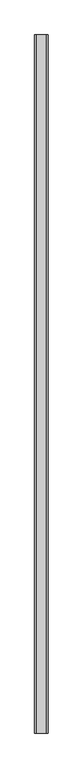
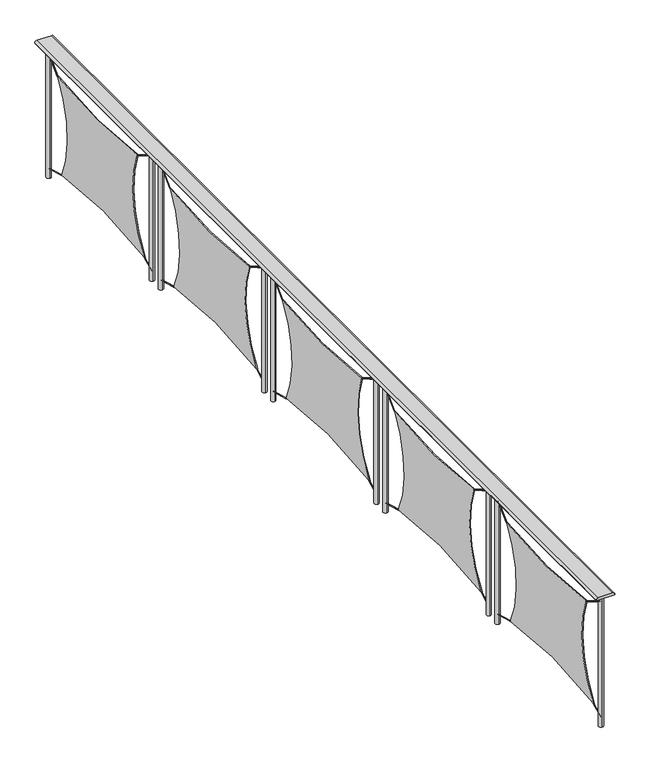
"""IFC4 building model written with IfcOpenShell, lengths in millimetres: railing geometry."""

from ifc_helpers import new_model, si_unit, point, frame, frame_2d, origin, origin_with_axes, place, context, project, spatial, polyline, circle_curve, trimmed, segment, composite_curve, outline, extrude, source, transform, mapped, element, save


def railing_b38161d0(model_context):
    return source(origin(), model_context, "Body", "SweptSolid", [
        extrude(outline(composite_curve([segment(trimmed(circle_curve(frame_2d((903.0, 9573.9695392)), 12.0), [point((915.0, 9573.9695392))], [point((903.0, 9561.9695392))], False, "CARTESIAN"), True, "CONTINUOUS"), segment(polyline([(903.0, 9561.9695392), (899.8828423, 9561.9695392), (899.8828423, 9681.9695392), (903.0, 9681.9695392)]), True, "CONTINUOUS"), segment(trimmed(circle_curve(frame_2d((903.0, 9669.9695392)), 12.0), [point((903.0, 9681.9695392))], [point((915.0, 9669.9695392))], False, "CARTESIAN"), True, "CONTINUOUS"), segment(polyline([(915.0, 9669.9695392), (915.0, 9573.9695392)]), True, "CONTINUOUS")], self_intersect=False)), frame((0.0, -25884.5435393, 0.0), z_axis=(0.0, 1.0, 0.0), x_axis=(0.0, 0.0, 1.0)), (0.0, 0.0, 1.0), 6250.0),
        extrude(outline(composite_curve([segment(trimmed(circle_curve(frame_2d((9621.9695392, -19683.6605604)), 15.0), [point((9621.9695392, -19698.6605604))], [point((9621.9695392, -19668.6605604))], False, "CARTESIAN"), True, "CONTINUOUS"), segment(trimmed(circle_curve(frame_2d((9621.9695392, -19683.6605604)), 15.0), [point((9621.9695392, -19668.6605604))], [point((9621.9695392, -19698.6605604))], False, "CARTESIAN"), True, "CONTINUOUS")], self_intersect=False)), origin_with_axes(), (0.0, 0.0, 1.0), 900.0),
        extrude(outline(composite_curve([segment(trimmed(circle_curve(frame_2d((9621.9695392, -20835.4261797)), 15.0), [point((9621.9695392, -20820.4261797))], [point((9621.9695392, -20850.4261797))], False, "CARTESIAN"), True, "CONTINUOUS"), segment(trimmed(circle_curve(frame_2d((9621.9695392, -20835.4261797)), 15.0), [point((9621.9695392, -20850.4261797))], [point((9621.9695392, -20820.4261797))], False, "CARTESIAN"), True, "CONTINUOUS")], self_intersect=False)), origin_with_axes(), (0.0, 0.0, 1.0), 900.0),
        extrude(outline(composite_curve([segment(trimmed(circle_curve(frame_2d((0.0, -2.0)), 2.0), [point((0.0, 0.0))], [point((0.0, -4.0))], False, "CARTESIAN"), True, "CONTINUOUS"), segment(trimmed(circle_curve(frame_2d((0.0, -2.0)), 2.0), [point((0.0, -4.0))], [point((0.0, 0.0))], False, "CARTESIAN"), True, "CONTINUOUS")], self_intersect=False)), frame((9621.9695392, -19685.0800335, 58.0732997), z_axis=(0.0, -0.9633501397866318, 0.2682471028232686), x_axis=(-1.0, 0.0, 0.0)), (0.0, 0.0, 1.0), 149.1162424),
        extrude(outline(composite_curve([segment(trimmed(circle_curve(frame_2d((0.0, 2.0)), 2.0), [point((0.0, 0.0))], [point((0.0, 4.0))], False, "CARTESIAN"), True, "CONTINUOUS"), segment(trimmed(circle_curve(frame_2d((0.0, 2.0)), 2.0), [point((0.0, 4.0))], [point((0.0, 0.0))], False, "CARTESIAN"), True, "CONTINUOUS")], self_intersect=False)), frame((9621.9695392, -20670.8402242, 750.5654181), z_axis=(0.0, -0.8660254037844354, 0.5000000000000058), x_axis=(-1.0, 0.0, 0.0)), (0.0, 0.0, 1.0), 187.8732147),
        extrude(outline(composite_curve([segment(trimmed(circle_curve(frame_2d((0.0, -2.0)), 2.0), [point((0.0, 0.0))], [point((0.0, -4.0))], False, "CARTESIAN"), True, "CONTINUOUS"), segment(trimmed(circle_curve(frame_2d((0.0, -2.0)), 2.0), [point((0.0, -4.0))], [point((0.0, 0.0))], False, "CARTESIAN"), True, "CONTINUOUS")], self_intersect=False)), frame((9621.9695392, -20835.4261797, 61.7945329), z_axis=(0.0, 0.8972664391123103, 0.44148945315003263), x_axis=(-1.0, 0.0, 0.0)), (0.0, 0.0, 1.0), 90.6023909),
        extrude(outline(composite_curve([segment(trimmed(circle_curve(frame_2d((0.0, 1.9999999)), 2.0), [point((0.0, 0.0))], [point((0.0, 4.0))], False, "CARTESIAN"), True, "CONTINUOUS"), segment(trimmed(circle_curve(frame_2d((0.0, 1.9999999)), 2.0), [point((0.0, 4.0))], [point((0.0, 0.0))], False, "CARTESIAN"), True, "CONTINUOUS")], self_intersect=False)), frame((9621.9695392, -19784.226284, 741.6717548), z_axis=(0.0, 0.7120655030548517, 0.7021130388756793), x_axis=(-1.0, 0.0, 0.0)), (0.0, 0.0, 1.0), 141.9630221),
        extrude(outline(composite_curve([segment(trimmed(circle_curve(frame_2d((-21285.78343, 496.3404188)), 663.8365378), [point((-20753.2487162, 100.0))], [point((-20671.8402242, 748.8333673))], True, "CARTESIAN"), True, "CONTINUOUS"), segment(trimmed(circle_curve(frame_2d((-20208.5933347, 3857.0970618)), 3142.5946088), [point((-20671.8402242, 748.8333673))], [point((-19785.63051, 743.0958858))], True, "CARTESIAN"), True, "CONTINUOUS"), segment(trimmed(circle_curve(frame_2d((-19246.387589, 384.4488271)), 647.6192095), [point((-19785.63051, 743.0958858))], [point((-19828.1946922, 100.0))], True, "CARTESIAN"), True, "CONTINUOUS"), segment(trimmed(circle_curve(frame_2d((-20290.7217042, -2583.1966924)), 2722.769863), [point((-19828.1946922, 100.0))], [point((-20753.2487162, 100.0))], True, "CARTESIAN"), True, "CONTINUOUS")], self_intersect=False)), frame((9621.9695392, 0.0, 0.0), z_axis=(1.0, 0.0, 0.0), x_axis=(0.0, 1.0, 0.0)), (0.0, 0.0, 1.0), 5.0),
        extrude(outline(composite_curve([segment(trimmed(circle_curve(frame_2d((9621.9695392, -20934.6605604)), 15.0), [point((9621.9695392, -20949.6605604))], [point((9621.9695392, -20919.6605604))], False, "CARTESIAN"), True, "CONTINUOUS"), segment(trimmed(circle_curve(frame_2d((9621.9695392, -20934.6605604)), 15.0), [point((9621.9695392, -20919.6605604))], [point((9621.9695392, -20949.6605604))], False, "CARTESIAN"), True, "CONTINUOUS")], self_intersect=False)), origin_with_axes(), (0.0, 0.0, 1.0), 900.0),
        extrude(outline(composite_curve([segment(trimmed(circle_curve(frame_2d((9621.9695392, -22086.4261797)), 15.0), [point((9621.9695392, -22071.4261797))], [point((9621.9695392, -22101.4261797))], False, "CARTESIAN"), True, "CONTINUOUS"), segment(trimmed(circle_curve(frame_2d((9621.9695392, -22086.4261797)), 15.0), [point((9621.9695392, -22101.4261797))], [point((9621.9695392, -22071.4261797))], False, "CARTESIAN"), True, "CONTINUOUS")], self_intersect=False)), origin_with_axes(), (0.0, 0.0, 1.0), 900.0),
        extrude(outline(composite_curve([segment(trimmed(circle_curve(frame_2d((0.0, -2.0)), 2.0), [point((0.0, 0.0))], [point((0.0, -4.0))], False, "CARTESIAN"), True, "CONTINUOUS"), segment(trimmed(circle_curve(frame_2d((0.0, -2.0)), 2.0), [point((0.0, -4.0))], [point((0.0, 0.0))], False, "CARTESIAN"), True, "CONTINUOUS")], self_intersect=False)), frame((9621.9695392, -20936.0800335, 58.0732997), z_axis=(0.0, -0.9633501397866318, 0.2682471028232686), x_axis=(-1.0, 0.0, 0.0)), (0.0, 0.0, 1.0), 149.1162424),
        extrude(outline(composite_curve([segment(trimmed(circle_curve(frame_2d((0.0, 2.0)), 2.0), [point((0.0, 0.0))], [point((0.0, 4.0))], False, "CARTESIAN"), True, "CONTINUOUS"), segment(trimmed(circle_curve(frame_2d((0.0, 2.0)), 2.0), [point((0.0, 4.0))], [point((0.0, 0.0))], False, "CARTESIAN"), True, "CONTINUOUS")], self_intersect=False)), frame((9621.9695392, -21921.8402242, 750.5654181), z_axis=(0.0, -0.8660254037844354, 0.5000000000000058), x_axis=(-1.0, 0.0, 0.0)), (0.0, 0.0, 1.0), 187.8732147),
        extrude(outline(composite_curve([segment(trimmed(circle_curve(frame_2d((0.0, -2.0)), 2.0), [point((0.0, 0.0))], [point((0.0, -4.0))], False, "CARTESIAN"), True, "CONTINUOUS"), segment(trimmed(circle_curve(frame_2d((0.0, -2.0)), 2.0), [point((0.0, -4.0))], [point((0.0, 0.0))], False, "CARTESIAN"), True, "CONTINUOUS")], self_intersect=False)), frame((9621.9695392, -22086.4261797, 61.7945329), z_axis=(0.0, 0.8972664391123103, 0.44148945315003263), x_axis=(-1.0, 0.0, 0.0)), (0.0, 0.0, 1.0), 90.6023909),
        extrude(outline(composite_curve([segment(trimmed(circle_curve(frame_2d((0.0, 1.9999999)), 2.0), [point((0.0, 0.0))], [point((0.0, 4.0))], False, "CARTESIAN"), True, "CONTINUOUS"), segment(trimmed(circle_curve(frame_2d((0.0, 1.9999999)), 2.0), [point((0.0, 4.0))], [point((0.0, 0.0))], False, "CARTESIAN"), True, "CONTINUOUS")], self_intersect=False)), frame((9621.9695392, -21035.226284, 741.6717548), z_axis=(0.0, 0.7120655030548517, 0.7021130388756793), x_axis=(-1.0, 0.0, 0.0)), (0.0, 0.0, 1.0), 141.9630221),
        extrude(outline(composite_curve([segment(trimmed(circle_curve(frame_2d((-22536.78343, 496.3404188)), 663.8365378), [point((-22004.2487162, 100.0))], [point((-21922.8402242, 748.8333673))], True, "CARTESIAN"), True, "CONTINUOUS"), segment(trimmed(circle_curve(frame_2d((-21459.5933347, 3857.0970618)), 3142.5946088), [point((-21922.8402242, 748.8333673))], [point((-21036.63051, 743.0958858))], True, "CARTESIAN"), True, "CONTINUOUS"), segment(trimmed(circle_curve(frame_2d((-20497.387589, 384.4488271)), 647.6192095), [point((-21036.63051, 743.0958858))], [point((-21079.1946922, 100.0))], True, "CARTESIAN"), True, "CONTINUOUS"), segment(trimmed(circle_curve(frame_2d((-21541.7217042, -2583.1966924)), 2722.769863), [point((-21079.1946922, 100.0))], [point((-22004.2487162, 100.0))], True, "CARTESIAN"), True, "CONTINUOUS")], self_intersect=False)), frame((9621.9695392, 0.0, 0.0), z_axis=(1.0, 0.0, 0.0), x_axis=(0.0, 1.0, 0.0)), (0.0, 0.0, 1.0), 5.0),
        extrude(outline(composite_curve([segment(trimmed(circle_curve(frame_2d((9621.9695392, -22185.6605604)), 15.0), [point((9621.9695392, -22200.6605604))], [point((9621.9695392, -22170.6605604))], False, "CARTESIAN"), True, "CONTINUOUS"), segment(trimmed(circle_curve(frame_2d((9621.9695392, -22185.6605604)), 15.0), [point((9621.9695392, -22170.6605604))], [point((9621.9695392, -22200.6605604))], False, "CARTESIAN"), True, "CONTINUOUS")], self_intersect=False)), origin_with_axes(), (0.0, 0.0, 1.0), 900.0),
        extrude(outline(composite_curve([segment(trimmed(circle_curve(frame_2d((9621.9695392, -23337.4261797)), 15.0), [point((9621.9695392, -23322.4261797))], [point((9621.9695392, -23352.4261797))], False, "CARTESIAN"), True, "CONTINUOUS"), segment(trimmed(circle_curve(frame_2d((9621.9695392, -23337.4261797)), 15.0), [point((9621.9695392, -23352.4261797))], [point((9621.9695392, -23322.4261797))], False, "CARTESIAN"), True, "CONTINUOUS")], self_intersect=False)), origin_with_axes(), (0.0, 0.0, 1.0), 900.0),
        extrude(outline(composite_curve([segment(trimmed(circle_curve(frame_2d((0.0, -2.0)), 2.0), [point((0.0, 0.0))], [point((0.0, -4.0))], False, "CARTESIAN"), True, "CONTINUOUS"), segment(trimmed(circle_curve(frame_2d((0.0, -2.0)), 2.0), [point((0.0, -4.0))], [point((0.0, 0.0))], False, "CARTESIAN"), True, "CONTINUOUS")], self_intersect=False)), frame((9621.9695392, -22187.0800335, 58.0732997), z_axis=(0.0, -0.9633501397866318, 0.2682471028232686), x_axis=(-1.0, 0.0, 0.0)), (0.0, 0.0, 1.0), 149.1162424),
        extrude(outline(composite_curve([segment(trimmed(circle_curve(frame_2d((0.0, 2.0)), 2.0), [point((0.0, 0.0))], [point((0.0, 4.0))], False, "CARTESIAN"), True, "CONTINUOUS"), segment(trimmed(circle_curve(frame_2d((0.0, 2.0)), 2.0), [point((0.0, 4.0))], [point((0.0, 0.0))], False, "CARTESIAN"), True, "CONTINUOUS")], self_intersect=False)), frame((9621.9695392, -23172.8402242, 750.5654181), z_axis=(0.0, -0.8660254037844354, 0.5000000000000058), x_axis=(-1.0, 0.0, 0.0)), (0.0, 0.0, 1.0), 187.8732147),
        extrude(outline(composite_curve([segment(trimmed(circle_curve(frame_2d((0.0, -2.0)), 2.0), [point((0.0, 0.0))], [point((0.0, -4.0))], False, "CARTESIAN"), True, "CONTINUOUS"), segment(trimmed(circle_curve(frame_2d((0.0, -2.0)), 2.0), [point((0.0, -4.0))], [point((0.0, 0.0))], False, "CARTESIAN"), True, "CONTINUOUS")], self_intersect=False)), frame((9621.9695392, -23337.4261797, 61.7945329), z_axis=(0.0, 0.8972664391123103, 0.44148945315003263), x_axis=(-1.0, 0.0, 0.0)), (0.0, 0.0, 1.0), 90.6023909),
        extrude(outline(composite_curve([segment(trimmed(circle_curve(frame_2d((0.0, 1.9999999)), 2.0), [point((0.0, 0.0))], [point((0.0, 4.0))], False, "CARTESIAN"), True, "CONTINUOUS"), segment(trimmed(circle_curve(frame_2d((0.0, 1.9999999)), 2.0), [point((0.0, 4.0))], [point((0.0, 0.0))], False, "CARTESIAN"), True, "CONTINUOUS")], self_intersect=False)), frame((9621.9695392, -22286.226284, 741.6717548), z_axis=(0.0, 0.7120655030548517, 0.7021130388756793), x_axis=(-1.0, 0.0, 0.0)), (0.0, 0.0, 1.0), 141.9630221),
        extrude(outline(composite_curve([segment(trimmed(circle_curve(frame_2d((-23787.78343, 496.3404188)), 663.8365378), [point((-23255.2487162, 100.0))], [point((-23173.8402242, 748.8333673))], True, "CARTESIAN"), True, "CONTINUOUS"), segment(trimmed(circle_curve(frame_2d((-22710.5933347, 3857.0970618)), 3142.5946088), [point((-23173.8402242, 748.8333673))], [point((-22287.63051, 743.0958858))], True, "CARTESIAN"), True, "CONTINUOUS"), segment(trimmed(circle_curve(frame_2d((-21748.387589, 384.4488271)), 647.6192095), [point((-22287.63051, 743.0958858))], [point((-22330.1946922, 100.0))], True, "CARTESIAN"), True, "CONTINUOUS"), segment(trimmed(circle_curve(frame_2d((-22792.7217042, -2583.1966924)), 2722.769863), [point((-22330.1946922, 100.0))], [point((-23255.2487162, 100.0))], True, "CARTESIAN"), True, "CONTINUOUS")], self_intersect=False)), frame((9621.9695392, 0.0, 0.0), z_axis=(1.0, 0.0, 0.0), x_axis=(0.0, 1.0, 0.0)), (0.0, 0.0, 1.0), 5.0),
        extrude(outline(composite_curve([segment(trimmed(circle_curve(frame_2d((9621.9695392, -23434.6607296)), 15.0), [point((9621.9695392, -23449.6607296))], [point((9621.9695392, -23419.6607296))], False, "CARTESIAN"), True, "CONTINUOUS"), segment(trimmed(circle_curve(frame_2d((9621.9695392, -23434.6607296)), 15.0), [point((9621.9695392, -23419.6607296))], [point((9621.9695392, -23449.6607296))], False, "CARTESIAN"), True, "CONTINUOUS")], self_intersect=False)), origin_with_axes(), (0.0, 0.0, 1.0), 900.0),
        extrude(outline(composite_curve([segment(trimmed(circle_curve(frame_2d((9621.9695392, -24586.426349)), 15.0), [point((9621.9695392, -24571.426349))], [point((9621.9695392, -24601.426349))], False, "CARTESIAN"), True, "CONTINUOUS"), segment(trimmed(circle_curve(frame_2d((9621.9695392, -24586.426349)), 15.0), [point((9621.9695392, -24601.426349))], [point((9621.9695392, -24571.426349))], False, "CARTESIAN"), True, "CONTINUOUS")], self_intersect=False)), origin_with_axes(), (0.0, 0.0, 1.0), 900.0),
        extrude(outline(composite_curve([segment(trimmed(circle_curve(frame_2d((0.0, -2.0)), 2.0), [point((0.0, 0.0))], [point((0.0, -4.0))], False, "CARTESIAN"), True, "CONTINUOUS"), segment(trimmed(circle_curve(frame_2d((0.0, -2.0)), 2.0), [point((0.0, -4.0))], [point((0.0, 0.0))], False, "CARTESIAN"), True, "CONTINUOUS")], self_intersect=False)), frame((9621.9695392, -23436.0802027, 58.0732997), z_axis=(0.0, -0.9633501397866318, 0.2682471028232686), x_axis=(-1.0, 0.0, 0.0)), (0.0, 0.0, 1.0), 149.1162424),
        extrude(outline(composite_curve([segment(trimmed(circle_curve(frame_2d((0.0, 2.0)), 2.0), [point((0.0, 0.0))], [point((0.0, 4.0))], False, "CARTESIAN"), True, "CONTINUOUS"), segment(trimmed(circle_curve(frame_2d((0.0, 2.0)), 2.0), [point((0.0, 4.0))], [point((0.0, 0.0))], False, "CARTESIAN"), True, "CONTINUOUS")], self_intersect=False)), frame((9621.9695392, -24421.8403934, 750.5654181), z_axis=(0.0, -0.8660254037844354, 0.5000000000000058), x_axis=(-1.0, 0.0, 0.0)), (0.0, 0.0, 1.0), 187.8732147),
        extrude(outline(composite_curve([segment(trimmed(circle_curve(frame_2d((0.0, -2.0000001)), 2.0), [point((0.0, 0.0))], [point((0.0, -4.0000001))], False, "CARTESIAN"), True, "CONTINUOUS"), segment(trimmed(circle_curve(frame_2d((0.0, -2.0000001)), 2.0), [point((0.0, -4.0000001))], [point((0.0, 0.0))], False, "CARTESIAN"), True, "CONTINUOUS")], self_intersect=False)), frame((9621.9695392, -24586.426349, 61.7945329), z_axis=(0.0, 0.8972664391123103, 0.44148945315003263), x_axis=(-1.0, 0.0, 0.0)), (0.0, 0.0, 1.0), 90.6023909),
        extrude(outline(composite_curve([segment(trimmed(circle_curve(frame_2d((0.0, 2.0)), 2.0), [point((0.0, 0.0))], [point((0.0, 4.0))], False, "CARTESIAN"), True, "CONTINUOUS"), segment(trimmed(circle_curve(frame_2d((0.0, 2.0)), 2.0), [point((0.0, 4.0))], [point((0.0, 0.0))], False, "CARTESIAN"), True, "CONTINUOUS")], self_intersect=False)), frame((9621.9695392, -23535.2264532, 741.6717548), z_axis=(0.0, 0.7120655030548517, 0.7021130388756793), x_axis=(-1.0, 0.0, 0.0)), (0.0, 0.0, 1.0), 141.9630221),
        extrude(outline(composite_curve([segment(trimmed(circle_curve(frame_2d((-25036.7835992, 496.3404188)), 663.8365378), [point((-24504.2488854, 100.0))], [point((-24422.8403934, 748.8333673))], True, "CARTESIAN"), True, "CONTINUOUS"), segment(trimmed(circle_curve(frame_2d((-23959.5935039, 3857.0970618)), 3142.5946088), [point((-24422.8403934, 748.8333673))], [point((-23536.6306793, 743.0958858))], True, "CARTESIAN"), True, "CONTINUOUS"), segment(trimmed(circle_curve(frame_2d((-22997.3877583, 384.4488271)), 647.6192095), [point((-23536.6306793, 743.0958858))], [point((-23579.1948615, 100.0))], True, "CARTESIAN"), True, "CONTINUOUS"), segment(trimmed(circle_curve(frame_2d((-24041.7218734, -2583.1966924)), 2722.769863), [point((-23579.1948615, 100.0))], [point((-24504.2488854, 100.0))], True, "CARTESIAN"), True, "CONTINUOUS")], self_intersect=False)), frame((9621.9695392, 0.0, 0.0), z_axis=(1.0, 0.0, 0.0), x_axis=(0.0, 1.0, 0.0)), (0.0, 0.0, 1.0), 5.0),
        extrude(outline(composite_curve([segment(trimmed(circle_curve(frame_2d((9621.9695392, -24683.6608988)), 15.0), [point((9621.9695392, -24698.6608988))], [point((9621.9695392, -24668.6608988))], False, "CARTESIAN"), True, "CONTINUOUS"), segment(trimmed(circle_curve(frame_2d((9621.9695392, -24683.6608988)), 15.0), [point((9621.9695392, -24668.6608988))], [point((9621.9695392, -24698.6608988))], False, "CARTESIAN"), True, "CONTINUOUS")], self_intersect=False)), origin_with_axes(), (0.0, 0.0, 1.0), 900.0),
        extrude(outline(composite_curve([segment(trimmed(circle_curve(frame_2d((9621.9695392, -25835.4265182)), 15.0), [point((9621.9695392, -25820.4265182))], [point((9621.9695392, -25850.4265182))], False, "CARTESIAN"), True, "CONTINUOUS"), segment(trimmed(circle_curve(frame_2d((9621.9695392, -25835.4265182)), 15.0), [point((9621.9695392, -25850.4265182))], [point((9621.9695392, -25820.4265182))], False, "CARTESIAN"), True, "CONTINUOUS")], self_intersect=False)), origin_with_axes(), (0.0, 0.0, 1.0), 900.0),
        extrude(outline(composite_curve([segment(trimmed(circle_curve(frame_2d((0.0, -2.0)), 2.0), [point((0.0, 0.0))], [point((0.0, -4.0000001))], False, "CARTESIAN"), True, "CONTINUOUS"), segment(trimmed(circle_curve(frame_2d((0.0, -2.0)), 2.0), [point((0.0, -4.0000001))], [point((0.0, 0.0))], False, "CARTESIAN"), True, "CONTINUOUS")], self_intersect=False)), frame((9621.9695392, -24685.080372, 58.0732997), z_axis=(0.0, -0.9633501397866318, 0.2682471028232686), x_axis=(-1.0, 0.0, 0.0)), (0.0, 0.0, 1.0), 149.1162424),
        extrude(outline(composite_curve([segment(trimmed(circle_curve(frame_2d((0.0, 2.0)), 2.0), [point((0.0, 0.0))], [point((0.0, 4.0))], False, "CARTESIAN"), True, "CONTINUOUS"), segment(trimmed(circle_curve(frame_2d((0.0, 2.0)), 2.0), [point((0.0, 4.0))], [point((0.0, 0.0))], False, "CARTESIAN"), True, "CONTINUOUS")], self_intersect=False)), frame((9621.9695392, -25670.8405627, 750.5654181), z_axis=(0.0, -0.8660254037844354, 0.5000000000000058), x_axis=(-1.0, 0.0, 0.0)), (0.0, 0.0, 1.0), 187.8732147),
        extrude(outline(composite_curve([segment(trimmed(circle_curve(frame_2d((0.0, -2.0)), 2.0), [point((0.0, 0.0))], [point((0.0, -4.0))], False, "CARTESIAN"), True, "CONTINUOUS"), segment(trimmed(circle_curve(frame_2d((0.0, -2.0)), 2.0), [point((0.0, -4.0))], [point((0.0, 0.0))], False, "CARTESIAN"), True, "CONTINUOUS")], self_intersect=False)), frame((9621.9695392, -25835.4265182, 61.7945329), z_axis=(0.0, 0.8972664391123103, 0.44148945315003263), x_axis=(-1.0, 0.0, 0.0)), (0.0, 0.0, 1.0), 90.6023909),
        extrude(outline(composite_curve([segment(trimmed(circle_curve(frame_2d((0.0, 2.0)), 2.0), [point((0.0, 0.0))], [point((0.0, 4.0))], False, "CARTESIAN"), True, "CONTINUOUS"), segment(trimmed(circle_curve(frame_2d((0.0, 2.0)), 2.0), [point((0.0, 4.0))], [point((0.0, 0.0))], False, "CARTESIAN"), True, "CONTINUOUS")], self_intersect=False)), frame((9621.9695392, -24784.2266224, 741.6717548), z_axis=(0.0, 0.7120655030548517, 0.7021130388756793), x_axis=(-1.0, 0.0, 0.0)), (0.0, 0.0, 1.0), 141.9630221),
        extrude(outline(composite_curve([segment(trimmed(circle_curve(frame_2d((-26285.7837685, 496.3404188)), 663.8365378), [point((-25753.2490546, 100.0))], [point((-25671.8405627, 748.8333673))], True, "CARTESIAN"), True, "CONTINUOUS"), segment(trimmed(circle_curve(frame_2d((-25208.5936731, 3857.0970618)), 3142.5946088), [point((-25671.8405627, 748.8333673))], [point((-24785.6308485, 743.0958858))], True, "CARTESIAN"), True, "CONTINUOUS"), segment(trimmed(circle_curve(frame_2d((-24246.3879275, 384.4488271)), 647.6192095), [point((-24785.6308485, 743.0958858))], [point((-24828.1950307, 100.0))], True, "CARTESIAN"), True, "CONTINUOUS"), segment(trimmed(circle_curve(frame_2d((-25290.7220427, -2583.1966924)), 2722.769863), [point((-24828.1950307, 100.0))], [point((-25753.2490546, 100.0))], True, "CARTESIAN"), True, "CONTINUOUS")], self_intersect=False)), frame((9621.9695392, 0.0, 0.0), z_axis=(1.0, 0.0, 0.0), x_axis=(0.0, 1.0, 0.0)), (0.0, 0.0, 1.0), 5.0),
    ])


if __name__ == "__main__":
    model = new_model("IFC4")
    model_context = context("Model", 3, world=origin())
    ifc_project = project(units=[si_unit("LENGTHUNIT", "METRE", prefix="MILLI")], contexts=[model_context])
    site = spatial("IfcSite", under=ifc_project)
    building = spatial("IfcBuilding", under=site)
    placement = place(None, origin())
    railing_shape = railing_b38161d0(model_context)
    element("IfcRailing", 1, at=placement, inside=building, context=model_context, shape_type="MappedRepresentation", body=[
        mapped(railing_shape, transform((0.0, 0.0, 0.0), x_axis=(1.0, 0.0, 0.0), y_axis=(0.0, 1.0, 0.0), z_axis=(0.0, 0.0, 1.0))),
    ])
    save(model, "model.ifc")
